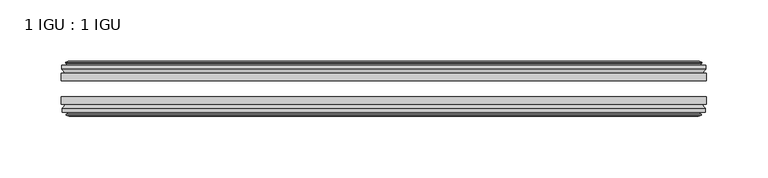
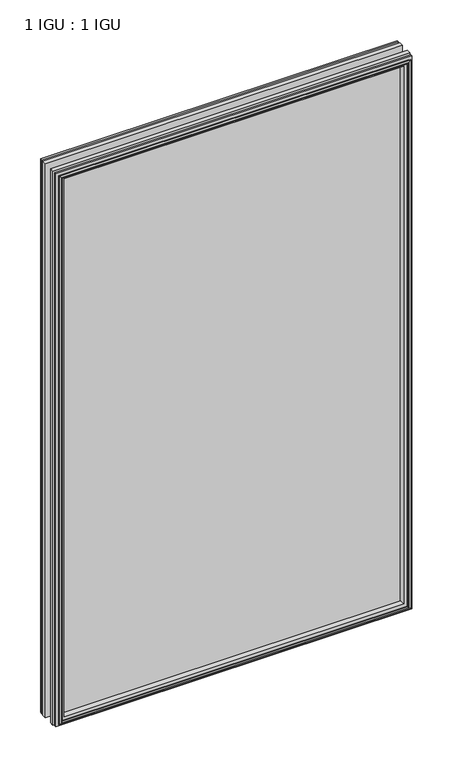
"""IFC4 building model written with IfcOpenShell, lengths in millimetres: plate geometry, 1 IGU : 1 IGU."""

from ifc_helpers import new_model, si_unit, frame, origin, place, context, project, spatial, polyline, outline, extrude, faceted_brep, source, transform, mapped, element, save


def plate_1_igu_1_igu_d688eb77(model_context):
    return source(origin(), model_context, "Body", "SolidModel", [
        extrude(outline(polyline([(263.525, -25.8960937), (263.525, -32.2460938), (-263.525, -32.2460938), (-263.525, -25.8960937), (263.525, -25.8960937)])), frame((0.0, 0.0, -12.7), z_axis=(0.0, 0.0, 1.0), x_axis=(1.0, 0.0, 0.0)), (0.0, 0.0, 1.0), 863.6),
        extrude(outline(polyline([(-263.525, -51.2960938), (-263.525, -45.2686737), (263.525, -45.2686737), (263.525, -51.2960938), (-263.525, -51.2960938)])), frame((0.0, 0.0, -12.7), z_axis=(0.0, 0.0, 1.0), x_axis=(1.0, 0.0, 0.0)), (0.0, 0.0, 1.0), 863.6),
        faceted_brep([(-257.937, -60.0262907, 845.312), (-258.318, -57.6460937, 845.693), (-258.318, -57.6460937, -7.493), (-257.937, -60.0262907, -7.112), (-259.3525291, -59.5663575, 846.727529), (-259.3525291, -59.5663575, -8.5275291), (-259.3525291, -60.3675717, 846.727529), (-259.3525291, -60.3675717, -8.5275291), (-257.175, -61.0750937, 844.55), (-257.175, -61.0750937, -6.35), (-254.997471, -60.3675717, 842.3724709), (-254.997471, -60.3675717, -4.1724709), (-254.997471, -59.5663575, 842.3724709), (-254.997471, -59.5663575, -4.1724709), (-256.413, -60.0262907, 843.788), (-256.413, -60.0262907, -5.588), (-256.032, -57.6460937, 843.407), (-256.032, -57.6460937, -5.207), (-249.1072819, -51.2960937, 836.4822819), (-250.825, -57.6460937, 838.2), (-250.825, -57.6460937, 0.0), (-249.1072819, -51.2960937, 1.7177181), (-262.763, -54.6996937, 850.138), (-259.9286578, -51.2960937, 847.3036578), (-259.9286578, -51.2960937, -9.1036578), (-262.763, -54.6996937, -11.938), (-262.763, -57.6460937, 850.138), (-262.763, -57.6460937, -11.938), (258.318, -57.6460938, -7.493), (257.937, -60.0262907, -7.112), (259.3525291, -59.5663575, -8.5275291), (259.3525291, -60.3675717, -8.5275291), (257.175, -61.0750937, -6.35), (254.997471, -60.3675717, -4.1724709), (254.997471, -59.5663575, -4.1724709), (256.413, -60.0262907, -5.588), (256.032, -57.6460937, -5.207), (250.825, -57.6460937, 0.0), (249.1072819, -51.2960937, 1.7177181), (259.9286578, -51.2960937, -9.1036578), (262.763, -54.6996937, -11.938), (262.763, -57.6460938, -11.938), (258.318, -57.6460938, 845.693), (257.937, -60.0262907, 845.312), (259.3525291, -59.5663575, 846.727529), (259.3525291, -60.3675717, 846.727529), (257.175, -61.0750937, 844.55), (254.997471, -60.3675717, 842.3724709), (254.997471, -59.5663575, 842.3724709), (256.413, -60.0262907, 843.788), (256.032, -57.6460937, 843.407), (250.825, -57.6460937, 838.2), (249.1072819, -51.2960937, 836.4822819), (259.9286578, -51.2960937, 847.3036578), (262.763, -54.6996937, 850.138), (262.763, -57.6460938, 850.138)], [[[0, 1, 2, 3]], [[4, 0, 3, 5]], [[6, 4, 5, 7]], [[8, 6, 7, 9]], [[10, 8, 9, 11]], [[12, 10, 11, 13]], [[14, 12, 13, 15]], [[16, 14, 15, 17]], [[18, 19, 20, 21]], [[22, 23, 24, 25]], [[26, 22, 25, 27]], [[3, 2, 28, 29]], [[5, 3, 29, 30]], [[7, 5, 30, 31]], [[9, 7, 31, 32]], [[11, 9, 32, 33]], [[13, 11, 33, 34]], [[15, 13, 34, 35]], [[17, 15, 35, 36]], [[21, 20, 37, 38]], [[25, 24, 39, 40]], [[27, 25, 40, 41]], [[29, 28, 42, 43]], [[30, 29, 43, 44]], [[31, 30, 44, 45]], [[32, 31, 45, 46]], [[33, 32, 46, 47]], [[34, 33, 47, 48]], [[35, 34, 48, 49]], [[36, 35, 49, 50]], [[38, 37, 51, 52]], [[40, 39, 53, 54]], [[41, 40, 54, 55]], [[27, 41, 55, 26], [1, 42, 28, 2]], [[43, 42, 1, 0]], [[44, 43, 0, 4]], [[45, 44, 4, 6]], [[46, 45, 6, 8]], [[47, 46, 8, 10]], [[48, 47, 10, 12]], [[49, 48, 12, 14]], [[50, 49, 14, 16]], [[17, 36, 50, 16], [19, 51, 37, 20]], [[52, 51, 19, 18]], [[23, 53, 39, 24], [21, 38, 52, 18]], [[54, 53, 23, 22]], [[55, 54, 22, 26]]]),
        faceted_brep([(-260.4493578, -25.8960937, 847.8243578), (-263.2837, -22.4924937, 850.6587), (-263.2837, -22.4924937, -12.4587), (-260.4493578, -25.8960937, -9.6243578), (-251.3457, -19.5460937, 838.7207), (-249.6279819, -25.8960937, 837.0029819), (-249.6279819, -25.8960937, 1.1970181), (-251.3457, -19.5460937, -0.5207), (-256.9337, -17.1658968, 844.3087), (-256.5527, -19.5460937, 843.9277), (-256.5527, -19.5460937, -5.7277), (-256.9337, -17.1658968, -6.1087), (-255.518171, -17.62583, 842.8931709), (-255.518171, -17.62583, -4.6931709), (-255.518171, -16.8246158, 842.8931709), (-255.518171, -16.8246158, -4.6931709), (-257.6957, -16.1170937, 845.0707), (-257.6957, -16.1170937, -6.8707), (-259.8732291, -16.8246158, 847.248229), (-259.8732291, -16.8246158, -9.0482291), (-259.8732291, -17.62583, 847.248229), (-259.8732291, -17.62583, -9.0482291), (-258.4577, -17.1658968, 845.8327), (-258.4577, -17.1658968, -7.6327), (-258.8387, -19.5460937, 846.2137), (-258.8387, -19.5460937, -8.0137), (-263.2837, -19.5460937, 850.6587), (-263.2837, -19.5460937, -12.4587), (263.2837, -22.4924937, -12.4587), (260.4493578, -25.8960937, -9.6243578), (249.6279819, -25.8960937, 1.1970181), (251.3457, -19.5460937, -0.5207), (256.5527, -19.5460937, -5.7277), (256.9337, -17.1658968, -6.1087), (255.518171, -17.62583, -4.6931709), (255.518171, -16.8246158, -4.6931709), (257.6957, -16.1170937, -6.8707), (259.8732291, -16.8246158, -9.0482291), (259.8732291, -17.62583, -9.0482291), (258.4577, -17.1658968, -7.6327), (258.8387, -19.5460937, -8.0137), (263.2837, -19.5460937, -12.4587), (263.2837, -22.4924937, 850.6587), (260.4493578, -25.8960937, 847.8243578), (249.6279819, -25.8960937, 837.0029819), (251.3457, -19.5460937, 838.7207), (256.5527, -19.5460937, 843.9277), (256.9337, -17.1658968, 844.3087), (255.518171, -17.62583, 842.8931709), (255.518171, -16.8246158, 842.8931709), (257.6957, -16.1170937, 845.0707), (259.8732291, -16.8246158, 847.248229), (259.8732291, -17.62583, 847.248229), (258.4577, -17.1658968, 845.8327), (258.8387, -19.5460937, 846.2137), (263.2837, -19.5460937, 850.6587)], [[[0, 1, 2, 3]], [[4, 5, 6, 7]], [[8, 9, 10, 11]], [[12, 8, 11, 13]], [[14, 12, 13, 15]], [[16, 14, 15, 17]], [[18, 16, 17, 19]], [[20, 18, 19, 21]], [[22, 20, 21, 23]], [[24, 22, 23, 25]], [[1, 26, 27, 2]], [[3, 2, 28, 29]], [[7, 6, 30, 31]], [[11, 10, 32, 33]], [[13, 11, 33, 34]], [[15, 13, 34, 35]], [[17, 15, 35, 36]], [[19, 17, 36, 37]], [[21, 19, 37, 38]], [[23, 21, 38, 39]], [[25, 23, 39, 40]], [[2, 27, 41, 28]], [[29, 28, 42, 43]], [[31, 30, 44, 45]], [[33, 32, 46, 47]], [[34, 33, 47, 48]], [[35, 34, 48, 49]], [[36, 35, 49, 50]], [[37, 36, 50, 51]], [[38, 37, 51, 52]], [[39, 38, 52, 53]], [[40, 39, 53, 54]], [[28, 41, 55, 42]], [[43, 42, 1, 0]], [[3, 29, 43, 0], [5, 44, 30, 6]], [[45, 44, 5, 4]], [[9, 46, 32, 10], [7, 31, 45, 4]], [[47, 46, 9, 8]], [[48, 47, 8, 12]], [[49, 48, 12, 14]], [[50, 49, 14, 16]], [[51, 50, 16, 18]], [[52, 51, 18, 20]], [[53, 52, 20, 22]], [[54, 53, 22, 24]], [[26, 55, 41, 27], [25, 40, 54, 24]], [[42, 55, 26, 1]]]),
    ])


if __name__ == "__main__":
    model = new_model("IFC4")
    model_context = context("Model", 3, world=origin())
    ifc_project = project(units=[si_unit("LENGTHUNIT", "METRE", prefix="MILLI")], contexts=[model_context])
    site = spatial("IfcSite", under=ifc_project)
    building = spatial("IfcBuilding", under=site)
    placement = place(None, origin())
    plate_1_igu_1_igu_shape = plate_1_igu_1_igu_d688eb77(model_context)
    element("IfcPlate", 1, ObjectType="1 IGU : 1 IGU", at=placement, inside=building, context=model_context, shape_type="MappedRepresentation", body=[
        mapped(plate_1_igu_1_igu_shape, transform((0.0, 0.0, 0.0), x_axis=(1.0, 0.0, 0.0), y_axis=(0.0, 1.0, 0.0), z_axis=(0.0, 0.0, 1.0))),
    ])
    save(model, "model.ifc")
